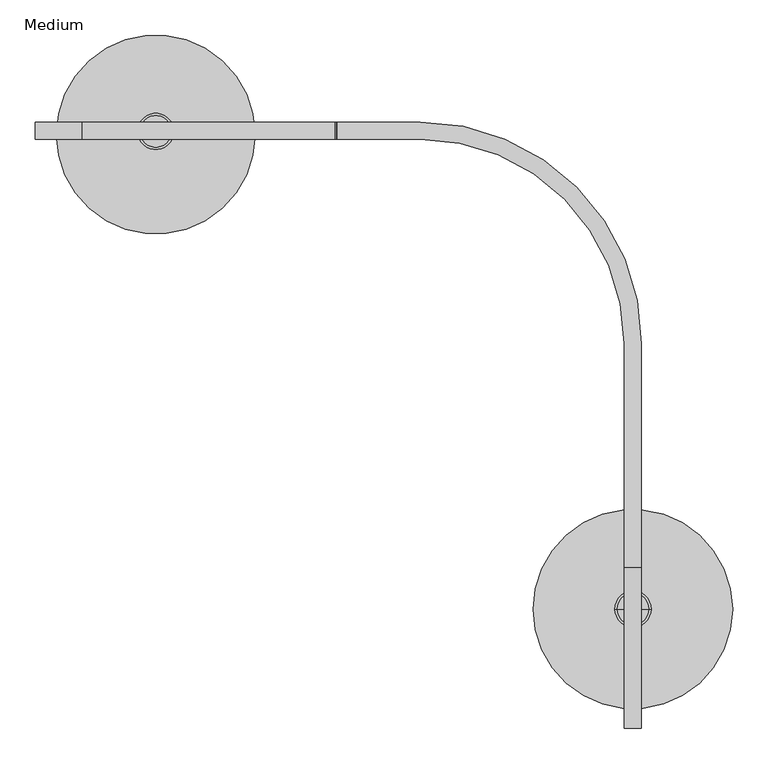
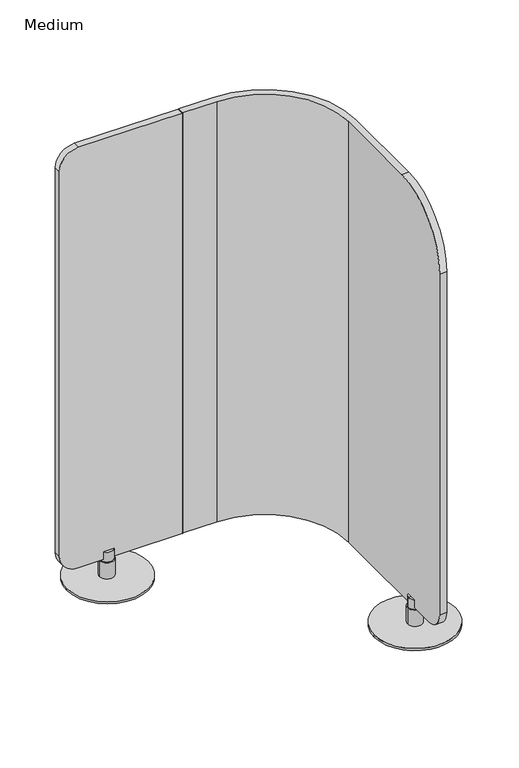
"""IFC4 building model written with IfcOpenShell, lengths in millimetres: furniture geometry, Medium."""

from ifc_helpers import new_model, si_unit, point, frame, frame_2d, origin, origin_with_axes, place, context, project, spatial, polyline, circle_curve, trimmed, segment, composite_curve, outline, extrude, source, transform, mapped, element, save
from ifc_brep_helpers import plane_surface, cylinder_surface, revolved_surface, advanced_brep


def medium_a8ed6ae4(model_context):
    return source(origin(), model_context, "Body", "SolidModel", [
        advanced_brep(
        [(853.9730377, -628.1115594, 1606.042), (853.9730377, -853.9734079, 1380.1801515), (853.9730377, -853.9734079, 139.3436268), (853.9730377, -789.1395851, 74.509804), (853.9730377, -311.8991998, 74.5093328), (853.9730377, -311.8991998, 1606.042), (829.995618, -789.1395851, 74.509804), (829.995618, -853.9734079, 139.3436268), (829.995618, -853.9734079, 1380.1801515), (829.995618, -628.1115594, 1606.042), (829.995618, -311.9750865, 1606.042), (829.995618, -311.9750865, 74.5093328), (542.087374, -23.9774863, 74.509804), (425.2080637, -23.9774863, 74.509804), (425.2080637, 0.0, 74.509804), (542.0984688, 0.0, 74.509804), (542.0984688, 0.0, 1606.042), (425.2272842, 0.0, 1606.042), (425.2272842, -23.9774863, 1606.042), (542.087374, -23.9774863, 1606.042), (423.9933105, -23.9774863, 1604.8080263), (423.9933105, -23.9774863, 75.7241996), (423.9933105, 0.0, 75.7241996), (423.9933105, 0.0, 1604.8080263)],
        [
            (0, 1, circle_curve(frame((853.9730377, -628.1115594, 1380.1801515), z_axis=(1.0, 0.0, 0.0), x_axis=(0.0, 1.0, 0.0)), 225.8618485)),
            (1, 2),
            (2, 3, circle_curve(frame((853.9730377, -789.1395851, 139.3436268), z_axis=(1.0, 0.0, 0.0), x_axis=(0.0, 1.0, 0.0)), 64.8338228)),
            (3, 4),
            (4, 5),
            (5, 0),
            (6, 7, circle_curve(frame((829.995618, -789.1395851, 139.3436268), z_axis=(-1.0, 0.0, 0.0), x_axis=(0.0, 1.0, 0.0)), 64.8338228)),
            (7, 8),
            (8, 9, circle_curve(frame((829.995618, -628.1115594, 1380.1801515), z_axis=(-1.0, 0.0, 0.0), x_axis=(0.0, 1.0, 0.0)), 225.8618485)),
            (9, 10),
            (10, 11),
            (11, 6),
            (0, 9),
            (8, 1),
            (7, 2),
            (6, 3),
            (11, 12, circle_curve(frame((542.087374, -311.8857441, 74.509804), z_axis=(0.0, 0.0, 1.0), x_axis=(1.0, 0.0, 0.0)), 287.9082578)),
            (12, 13),
            (13, 14),
            (14, 15),
            (15, 4, circle_curve(frame((542.0984688, -311.8991998, 74.509804), z_axis=(0.0, 0.0, -1.0), x_axis=(1.0, 0.0, 0.0)), 311.8991998)),
            (5, 16, circle_curve(frame((542.0984688, -311.8991998, 1606.042), z_axis=(0.0, 0.0, 1.0), x_axis=(1.0, 0.0, 0.0)), 311.8991998)),
            (16, 17),
            (17, 18),
            (18, 19),
            (19, 10, circle_curve(frame((542.087374, -311.8857441, 1606.042), z_axis=(0.0, 0.0, -1.0), x_axis=(1.0, 0.0, 0.0)), 287.9082578)),
            (18, 20, circle_curve(frame((425.2272842, -23.9774863, 1604.8080263), z_axis=(0.0, -1.0, 0.0), x_axis=(1.0, 0.0, 0.0)), 1.2339737)),
            (20, 21),
            (21, 13, circle_curve(frame((425.2080637, -23.9774863, 75.7241996), z_axis=(0.0, -1.0, 0.0), x_axis=(1.0, 0.0, 0.0)), 1.2147532)),
            (12, 19),
            (15, 16),
            (14, 22, circle_curve(frame((425.2080637, 0.0, 75.7241996), z_axis=(0.0, 1.0, 0.0), x_axis=(1.0, 0.0, 0.0)), 1.2147532)),
            (22, 23),
            (23, 17, circle_curve(frame((425.2272842, 0.0, 1604.8080263), z_axis=(0.0, 1.0, 0.0), x_axis=(1.0, 0.0, 0.0)), 1.2339737)),
            (23, 20),
            (22, 21),
        ],
        [
            plane_surface(frame((853.9730377, -402.2497109, 1380.1801515), z_axis=(1.0, 0.0, 0.0), x_axis=(0.0, 0.0, 1.0))),
            plane_surface(frame((829.995618, -402.2497109, 1380.1801515), z_axis=(-1.0, 0.0, 0.0), x_axis=(0.0, 0.0, -1.0))),
            cylinder_surface(frame((829.995618, -628.1115594, 1380.1801515), z_axis=(1.0, 0.0, 0.0), x_axis=(0.0, 1.0, 0.0)), 225.8618485),
            plane_surface(frame((853.9730377, -853.9734079, 1380.1801515), z_axis=(0.0, -1.0, 0.0), x_axis=(-1.0, 0.0, 0.0))),
            cylinder_surface(frame((829.995618, -789.1395851, 139.3436268), z_axis=(1.0, 0.0, 0.0), x_axis=(0.0, 1.0, 0.0)), 64.8338228),
            plane_surface(frame((853.9730377, -789.1395851, 74.509804), z_axis=(0.0, 0.0, -1.0), x_axis=(-1.0, 0.0, 0.0))),
            plane_surface(frame((853.9730377, -315.8189106, 1606.042), z_axis=(0.0, 0.0, 1.0), x_axis=(-1.0, 0.0, 0.0))),
            plane_surface(frame((537.7681369, -23.9774863, 1606.042), z_axis=(0.0, -1.0, 0.0), x_axis=(0.0, 0.0, -1.0))),
            revolved_surface(polyline([(829.9956318, -311.8857441, 74.5093328), (829.9956318, -311.8857441, 1606.042)]), (542.087374, -311.8857441, 74.5093328), (0.0, 0.0, -1.0)),
            cylinder_surface(frame((542.0984688, -311.8991998, 74.5093328), z_axis=(0.0, 0.0, 1.0), x_axis=(1.0, 0.0, 0.0)), 311.8991998),
            plane_surface(frame((542.0984688, 0.0, 1606.042), z_axis=(0.0, 1.0, 0.0), x_axis=(0.0, 0.0, -1.0))),
            cylinder_surface(frame((425.2272842, 0.0, 1604.8080263), z_axis=(0.0, -1.0, 0.0), x_axis=(1.0, 0.0, 0.0)), 1.2339737),
            plane_surface(frame((423.9933105, -23.9774863, 1604.8080263), z_axis=(-1.0, 0.0, 0.0), x_axis=(0.0, 1.0, 0.0))),
            cylinder_surface(frame((425.2080637, 0.0, 75.7241996), z_axis=(0.0, -1.0, 0.0), x_axis=(1.0, 0.0, 0.0)), 1.2147532),
        ],
        [
            (0, [[1, 2, 3, 4, 5, 6]]),
            (1, [[7, 8, 9, 10, 11, 12]]),
            (2, [[-1, 13, -9, 14]]),
            (3, [[-2, -14, -8, 15]]),
            (4, [[-3, -15, -7, 16]]),
            (5, [[-16, -12, 17, 18, 19, 20, 21, -4]]),
            (6, [[-13, -6, 22, 23, 24, 25, 26, -10]]),
            (7, [[-25, 27, 28, 29, -18, 30]]),
            (8, [[-26, -30, -17, -11]]),
            (9, [[-22, -5, -21, 31]]),
            (10, [[-23, -31, -20, 32, 33, 34]]),
            (11, [[-27, -24, -34, 35]]),
            (12, [[-28, -35, -33, 36]]),
            (13, [[-29, -36, -32, -19]]),
        ],
    ),
        extrude(outline(composite_curve([segment(trimmed(circle_curve(frame_2d((1541.0783364, 64.9636636)), 64.9636636), [point((1606.042, 64.9636636))], [point((1541.0783364, 0.0))], False, "CARTESIAN"), True, "CONTINUOUS"), segment(polyline([(1541.0783364, 0.0), (138.0093328, 0.0)]), True, "CONTINUOUS"), segment(trimmed(circle_curve(frame_2d((138.0093328, 63.5)), 63.5), [point((138.0093328, 0.0))], [point((74.5093328, 63.5))], False, "CARTESIAN"), True, "CONTINUOUS"), segment(polyline([(74.5093328, 63.5), (74.5093328, 422.7146225)]), True, "CONTINUOUS"), segment(trimmed(circle_curve(frame_2d((75.7880209, 422.7146225)), 1.278688), [point((74.5093328, 422.7146225))], [point((75.7880209, 423.9933105))], False, "CARTESIAN"), True, "CONTINUOUS"), segment(polyline([(75.7880209, 423.9933105), (1604.8600977, 423.9933105)]), True, "CONTINUOUS"), segment(trimmed(circle_curve(frame_2d((1604.8600977, 422.8114082)), 1.1819023), [point((1604.8600977, 423.9933105))], [point((1606.042, 422.8114082))], False, "CARTESIAN"), True, "CONTINUOUS"), segment(polyline([(1606.042, 422.8114082), (1606.042, 64.9636636)]), True, "CONTINUOUS")], self_intersect=False)), frame((0.0, -23.9774863, 0.0), z_axis=(0.0, 1.0, 0.0), x_axis=(0.0, 0.0, 1.0)), (0.0, 0.0, 1.0), 23.9774863),
        advanced_brep(
        [(816.700333, -685.8161337, 7.8732992), (867.500333, -685.8161337, 7.8732992), (842.100333, -685.8161337, 7.8732992), (816.700333, -685.8161337, 67.1258584), (867.500333, -685.8161337, 67.1258584), (819.9544051, -685.8161337, 67.1258584), (864.2462609, -685.8161337, 67.1258584), (819.9544051, -685.8161337, 102.873817), (864.2462609, -685.8161337, 102.873817), (842.100333, -685.8161337, 102.873817)],
        [
            (0, 1, circle_curve(frame((842.100333, -685.8161337, 7.8732992), z_axis=(0.0, 0.0, -1.0), x_axis=(1.0, 0.0, 0.0)), 25.4)),
            (1, 2),
            (2, 0),
            (1, 0, circle_curve(frame((842.100333, -685.8161337, 7.8732992), z_axis=(0.0, 0.0, -1.0), x_axis=(1.0, 0.0, 0.0)), 25.4)),
            (3, 4, circle_curve(frame((842.100333, -685.8161337, 67.1258584), z_axis=(0.0, 0.0, -1.0), x_axis=(1.0, 0.0, 0.0)), 25.4)),
            (4, 1),
            (0, 3),
            (4, 3, circle_curve(frame((842.100333, -685.8161337, 67.1258584), z_axis=(0.0, 0.0, -1.0), x_axis=(1.0, 0.0, 0.0)), 25.4)),
            (5, 6, circle_curve(frame((842.100333, -685.8161337, 67.1258584), z_axis=(0.0, 0.0, -1.0), x_axis=(1.0, 0.0, 0.0)), 22.1459279)),
            (6, 4),
            (3, 5),
            (6, 5, circle_curve(frame((842.100333, -685.8161337, 67.1258584), z_axis=(0.0, 0.0, -1.0), x_axis=(1.0, 0.0, 0.0)), 22.1459279)),
            (7, 8, circle_curve(frame((842.100333, -685.8161337, 102.873817), z_axis=(0.0, 0.0, -1.0), x_axis=(1.0, 0.0, 0.0)), 22.1459279)),
            (8, 6),
            (5, 7),
            (8, 7, circle_curve(frame((842.100333, -685.8161337, 102.873817), z_axis=(0.0, 0.0, -1.0), x_axis=(1.0, 0.0, 0.0)), 22.1459279)),
            (9, 8),
            (7, 9),
        ],
        [
            plane_surface(frame((842.100333, -685.8161337, 7.8732992), z_axis=(0.0, 0.0, -1.0), x_axis=(1.0, 0.0, 0.0))),
            cylinder_surface(frame((842.100333, -685.8161337, 102.873817), z_axis=(0.0, 0.0, 1.0), x_axis=(1.0, 0.0, 0.0)), 25.4),
            plane_surface(frame((842.100333, -685.8161337, 67.1258584), z_axis=(0.0, 0.0, 1.0), x_axis=(1.0, 0.0, 0.0))),
            cylinder_surface(frame((842.100333, -685.8161337, 102.873817), z_axis=(0.0, 0.0, 1.0), x_axis=(1.0, 0.0, 0.0)), 22.1459279),
            plane_surface(frame((842.100333, -685.8161337, 102.873817), z_axis=(0.0, 0.0, 1.0), x_axis=(1.0, 0.0, 0.0))),
        ],
        [
            (0, [[1, 2, 3]]),
            (0, [[4, -3, -2]]),
            (1, [[5, 6, -1, 7]]),
            (1, [[8, -7, -4, -6]]),
            (2, [[9, 10, -5, 11]]),
            (2, [[12, -11, -8, -10]]),
            (3, [[13, 14, -9, 15]]),
            (3, [[16, -15, -12, -14]]),
            (4, [[17, -13, 18]]),
            (4, [[-18, -16, -17]]),
        ],
    ),
        advanced_brep(
        [(144.1303497, -12.7, 7.8732992), (194.9303497, -12.7, 7.8732992), (169.5303497, -12.7, 7.8732992), (144.1303497, -12.7, 67.1258584), (194.9303497, -12.7, 67.1258584), (147.3844218, -12.7, 67.1258584), (191.6762776, -12.7, 67.1258584), (147.3844218, -12.7, 102.873817), (191.6762776, -12.7, 102.873817), (169.5303497, -12.7, 102.873817)],
        [
            (0, 1, circle_curve(frame((169.5303497, -12.7, 7.8732992), z_axis=(0.0, 0.0, -1.0), x_axis=(1.0, 0.0, 0.0)), 25.4)),
            (1, 2),
            (2, 0),
            (1, 0, circle_curve(frame((169.5303497, -12.7, 7.8732992), z_axis=(0.0, 0.0, -1.0), x_axis=(1.0, 0.0, 0.0)), 25.4)),
            (3, 4, circle_curve(frame((169.5303497, -12.7, 67.1258584), z_axis=(0.0, 0.0, -1.0), x_axis=(1.0, 0.0, 0.0)), 25.4)),
            (4, 1),
            (0, 3),
            (4, 3, circle_curve(frame((169.5303497, -12.7, 67.1258584), z_axis=(0.0, 0.0, -1.0), x_axis=(1.0, 0.0, 0.0)), 25.4)),
            (5, 6, circle_curve(frame((169.5303497, -12.7, 67.1258584), z_axis=(0.0, 0.0, -1.0), x_axis=(1.0, 0.0, 0.0)), 22.1459279)),
            (6, 4),
            (3, 5),
            (6, 5, circle_curve(frame((169.5303497, -12.7, 67.1258584), z_axis=(0.0, 0.0, -1.0), x_axis=(1.0, 0.0, 0.0)), 22.1459279)),
            (7, 8, circle_curve(frame((169.5303497, -12.7, 102.873817), z_axis=(0.0, 0.0, -1.0), x_axis=(1.0, 0.0, 0.0)), 22.1459279)),
            (8, 6),
            (5, 7),
            (8, 7, circle_curve(frame((169.5303497, -12.7, 102.873817), z_axis=(0.0, 0.0, -1.0), x_axis=(1.0, 0.0, 0.0)), 22.1459279)),
            (9, 8),
            (7, 9),
        ],
        [
            plane_surface(frame((169.5303497, -12.7, 7.8732992), z_axis=(0.0, 0.0, -1.0), x_axis=(1.0, 0.0, 0.0))),
            cylinder_surface(frame((169.5303497, -12.7, 102.873817), z_axis=(0.0, 0.0, 1.0), x_axis=(1.0, 0.0, 0.0)), 25.4),
            plane_surface(frame((169.5303497, -12.7, 67.1258584), z_axis=(0.0, 0.0, 1.0), x_axis=(1.0, 0.0, 0.0))),
            cylinder_surface(frame((169.5303497, -12.7, 102.873817), z_axis=(0.0, 0.0, 1.0), x_axis=(1.0, 0.0, 0.0)), 22.1459279),
            plane_surface(frame((169.5303497, -12.7, 102.873817), z_axis=(0.0, 0.0, 1.0), x_axis=(1.0, 0.0, 0.0))),
        ],
        [
            (0, [[1, 2, 3]]),
            (0, [[4, -3, -2]]),
            (1, [[5, 6, -1, 7]]),
            (1, [[8, -7, -4, -6]]),
            (2, [[9, 10, -5, 11]]),
            (2, [[12, -11, -8, -10]]),
            (3, [[13, 14, -9, 15]]),
            (3, [[16, -15, -12, -14]]),
            (4, [[17, -13, 18]]),
            (4, [[-18, -16, -17]]),
        ],
    ),
        extrude(outline(composite_curve([segment(trimmed(circle_curve(frame_2d((169.5303497, -17.0411177)), 140.0479005), [point((29.4824492, -17.0411177))], [point((309.5782503, -17.0411177))], False, "CARTESIAN"), True, "CONTINUOUS"), segment(trimmed(circle_curve(frame_2d((169.5303497, -17.0411177)), 140.0479005), [point((309.5782503, -17.0411177))], [point((29.4824492, -17.0411177))], False, "CARTESIAN"), True, "CONTINUOUS")], self_intersect=False)), origin_with_axes(), (0.0, 0.0, 1.0), 7.8732992),
        extrude(outline(composite_curve([segment(trimmed(circle_curve(frame_2d((841.9822183, -686.081839)), 140.3919114), [point((701.5903068, -686.081839))], [point((982.3741297, -686.081839))], False, "CARTESIAN"), True, "CONTINUOUS"), segment(trimmed(circle_curve(frame_2d((841.9822183, -686.081839)), 140.3919114), [point((982.3741297, -686.081839))], [point((701.5903068, -686.081839))], False, "CARTESIAN"), True, "CONTINUOUS")], self_intersect=False)), origin_with_axes(), (0.0, 0.0, 1.0), 7.8732992),
    ])


if __name__ == "__main__":
    model = new_model("IFC4")
    model_context = context("Model", 3, world=origin())
    ifc_project = project(units=[si_unit("LENGTHUNIT", "METRE", prefix="MILLI")], contexts=[model_context])
    site = spatial("IfcSite", under=ifc_project)
    building = spatial("IfcBuilding", under=site)
    placement = place(None, origin())
    medium_shape = medium_a8ed6ae4(model_context)
    element("IfcFurniture", 1, ObjectType="Medium", at=placement, inside=building, context=model_context, shape_type="MappedRepresentation", body=[
        mapped(medium_shape, transform((0.0, 0.0, 0.0), x_axis=(1.0, 0.0, 0.0), y_axis=(0.0, 1.0, 0.0), z_axis=(0.0, 0.0, 1.0))),
    ])
    save(model, "model.ifc")
